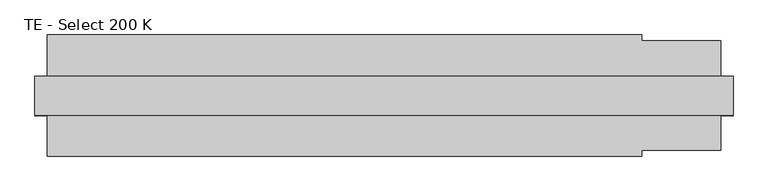
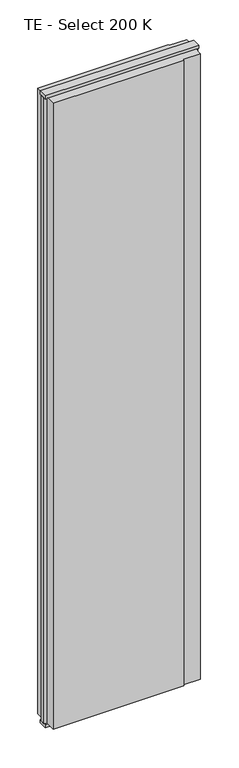
"""IFC4 building model written with IfcOpenShell, lengths in millimetres: plate geometry, TE - Select 200 K."""

from ifc_helpers import new_model, si_unit, frame, origin, origin_with_axes, place, context, project, spatial, polyline, outline, extrude, source, transform, mapped, element, save


def te_select_200_k_3c3fda86(model_context):
    return source(origin(), model_context, "Body", "SweptSolid", [
        extrude(outline(polyline([(424.5833333, 100.0), (424.5833333, 90.0), (554.5833333, 90.0), (554.5833333, 22.9993165), (574.5833333, 17.6401049), (574.5833333, -17.6401049), (554.5833333, -22.9993165), (554.5833333, -90.0), (424.5833333, -90.0), (424.5833333, -100.0), (-554.5833333, -100.0), (-554.5833333, -22.9993165), (-574.5833333, -17.6401049), (-574.5833333, 17.6401049), (-554.5833333, 22.9993165), (-554.5833333, 100.0), (424.5833333, 100.0)])), frame((0.0, 0.0, 25.0), z_axis=(0.0, 0.0, 1.0), x_axis=(1.0, 0.0, 0.0)), (0.0, 0.0, 1.0), 4950.0),
        extrude(outline(polyline([(574.5833333, 32.0), (574.5833333, -32.0), (-574.5833333, -32.0), (-574.5833333, 32.0), (574.5833333, 32.0)])), origin_with_axes(), (0.0, 0.0, 1.0), 25.0),
        extrude(outline(polyline([(574.5833333, 32.0), (574.5833333, -32.0), (-574.5833333, -32.0), (-574.5833333, 32.0), (574.5833333, 32.0)])), frame((0.0, 0.0, 4975.0), z_axis=(0.0, 0.0, 1.0), x_axis=(1.0, 0.0, 0.0)), (0.0, 0.0, 1.0), 25.0),
    ])


if __name__ == "__main__":
    model = new_model("IFC4")
    model_context = context("Model", 3, world=origin())
    ifc_project = project(units=[si_unit("LENGTHUNIT", "METRE", prefix="MILLI")], contexts=[model_context])
    site = spatial("IfcSite", under=ifc_project)
    building = spatial("IfcBuilding", under=site)
    placement = place(None, origin())
    te_select_200_k_shape = te_select_200_k_3c3fda86(model_context)
    element("IfcPlate", 1, ObjectType="TE - Select 200 K", at=placement, inside=building, context=model_context, shape_type="MappedRepresentation", body=[
        mapped(te_select_200_k_shape, transform((0.0, 0.0, 0.0), x_axis=(1.0, 0.0, 0.0), y_axis=(0.0, 1.0, 0.0), z_axis=(0.0, 0.0, 1.0))),
    ])
    save(model, "model.ifc")
